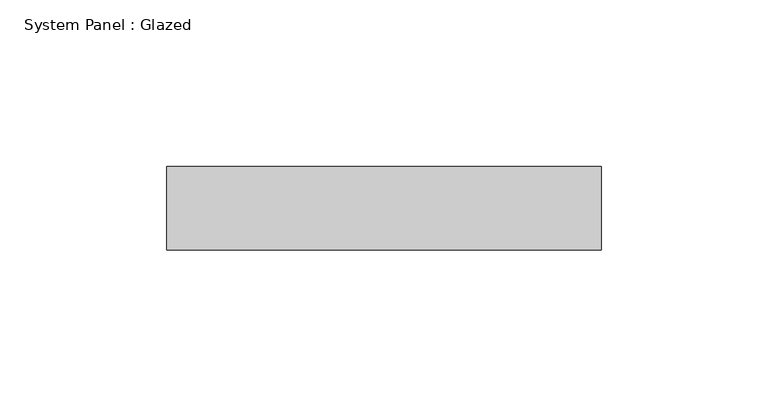
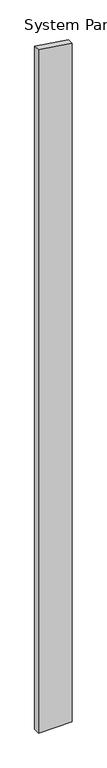
"""IFC4 building model written with IfcOpenShell, lengths in millimetres: plate geometry, System Panel : Glazed."""

from ifc_helpers import new_model, si_unit, frame, origin, place, context, project, spatial, polyline, outline, extrude, source, transform, mapped, element, save


def system_panel_glazed_fa8fe134(model_context):
    return source(origin(), model_context, "Body", "SweptSolid", [
        extrude(outline(polyline([(0.0, -65.0), (0.0, 65.0), (2771.6050109, 65.0), (2790.8418113, -65.0), (0.0, -65.0)])), frame((0.0, 24.5, 0.0), z_axis=(0.0, 1.0, 0.0), x_axis=(0.0, 0.0, 1.0)), (0.0, 0.0, 1.0), 25.0),
    ])


if __name__ == "__main__":
    model = new_model("IFC4")
    model_context = context("Model", 3, world=origin())
    ifc_project = project(units=[si_unit("LENGTHUNIT", "METRE", prefix="MILLI")], contexts=[model_context])
    site = spatial("IfcSite", under=ifc_project)
    building = spatial("IfcBuilding", under=site)
    placement = place(None, origin())
    system_panel_glazed_shape = system_panel_glazed_fa8fe134(model_context)
    element("IfcPlate", 1, ObjectType="System Panel : Glazed", at=placement, inside=building, context=model_context, shape_type="MappedRepresentation", body=[
        mapped(system_panel_glazed_shape, transform((0.0, 0.0, 0.0), x_axis=(1.0, 0.0, 0.0), y_axis=(0.0, 1.0, 0.0), z_axis=(0.0, 0.0, 1.0))),
    ])
    save(model, "model.ifc")
